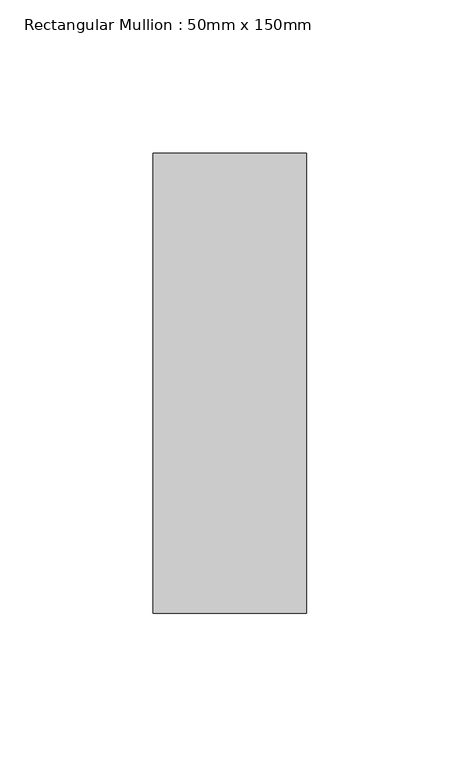
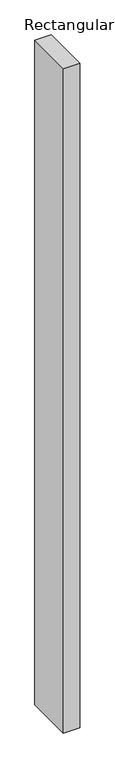
"""IFC4 building model written with IfcOpenShell, lengths in millimetres: member geometry, Rectangular Mullion : 50mm x 150mm."""

from ifc_helpers import new_model, si_unit, frame, origin, place, context, project, spatial, polyline, outline, extrude, source, transform, mapped, element, save


def rectangular_mullion_50mm_x_150mm_84e08fcb(model_context):
    return source(origin(), model_context, "Body", "SweptSolid", [
        extrude(outline(polyline([(25.0, 75.0), (25.0, -75.0), (-25.0, -75.0), (-25.0, 75.0), (25.0, 75.0)])), frame((0.0, 0.0, -2139.4785963), z_axis=(0.0, 0.0, 1.0), x_axis=(1.0, 0.0, 0.0)), (0.0, 0.0, 1.0), 2139.4785963),
    ])


if __name__ == "__main__":
    model = new_model("IFC4")
    model_context = context("Model", 3, world=origin())
    ifc_project = project(units=[si_unit("LENGTHUNIT", "METRE", prefix="MILLI")], contexts=[model_context])
    site = spatial("IfcSite", under=ifc_project)
    building = spatial("IfcBuilding", under=site)
    placement = place(None, origin())
    rectangular_mullion_50mm_x_150mm_shape = rectangular_mullion_50mm_x_150mm_84e08fcb(model_context)
    element("IfcMember", 1, ObjectType="Rectangular Mullion : 50mm x 150mm", at=placement, inside=building, context=model_context, shape_type="MappedRepresentation", body=[
        mapped(rectangular_mullion_50mm_x_150mm_shape, transform((0.0, 0.0, 0.0), x_axis=(1.0, 0.0, 0.0), y_axis=(0.0, 1.0, 0.0), z_axis=(0.0, 0.0, 1.0))),
    ])
    save(model, "model.ifc")
